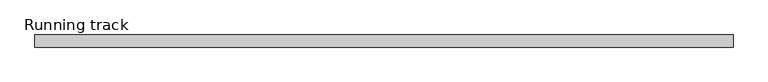
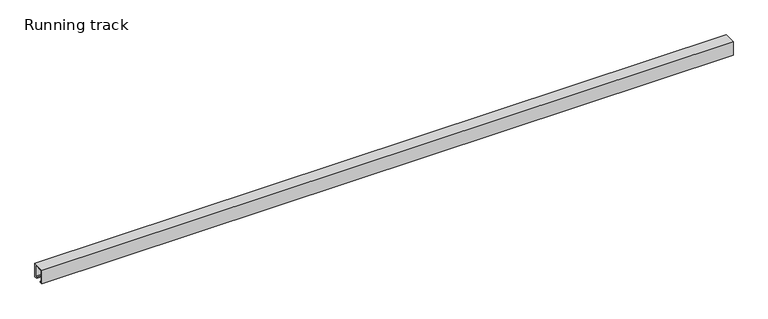
"""IFC4 building model written with IfcOpenShell, lengths in millimetres: proxy geometry, Running track."""

from ifc_helpers import new_model, si_unit, point, frame, frame_2d, origin, origin_with_axes, place, context, project, spatial, polyline, circle_curve, trimmed, segment, composite_curve, outline, extrude, faceted_brep, source, transform, mapped, element, save


def running_track_9f90d680(model_context):
    return source(origin(), model_context, "Body", "SolidModel", [
        extrude(outline(composite_curve([segment(trimmed(circle_curve(frame_2d((0.0, 18.67839)), 6.3335878), [point((6.3335878, 18.67839))], [point((-6.3335878, 18.67839))], False, "CARTESIAN"), True, "CONTINUOUS"), segment(trimmed(circle_curve(frame_2d((0.0, 18.67839)), 6.3335878), [point((-6.3335878, 18.67839))], [point((6.3335878, 18.67839))], False, "CARTESIAN"), True, "CONTINUOUS")], self_intersect=False)), frame((1868.0, 0.0, 0.0), z_axis=(1.0, 0.0, 0.0), x_axis=(0.0, 1.0, 0.0)), (0.0, 0.0, 1.0), 4.0),
        faceted_brep([(1914.5, 14.5, 36.5), (1914.5, 14.5, 3.0), (1872.0, 14.5, 3.0), (1872.0, 14.5, 36.5), (1914.5, -14.5, 36.5), (1872.0, -14.5, 36.5), (1872.0, -14.5, 3.0), (1914.5, -14.5, 3.0), (1872.0, 12.5, 36.5), (1911.9235205, 12.5, 36.5), (1911.9235205, -12.531559, 36.5), (1872.0, -12.531559, 36.5), (1872.0, -12.531559, 25.3706125), (1872.0, 12.5, 25.3706125), (1911.9235205, 12.5, 25.3706125), (1911.9235205, -12.531559, 25.3706125)], [[[0, 1, 2, 3]], [[4, 5, 6, 7]], [[3, 8, 9, 10, 11, 5, 4, 0]], [[2, 6, 5, 11, 12, 13, 8, 3]], [[1, 7, 6, 2]], [[0, 4, 7, 1]], [[14, 9, 8, 13]], [[15, 12, 11, 10]], [[15, 10, 9, 14]], [[14, 13, 12, 15]]]),
        extrude(outline(polyline([(1914.5, 12.5), (1914.5, -12.531559), (1870.0024224, -12.531559), (1870.0024224, 12.5), (1914.5, 12.5)])), origin_with_axes(), (0.0, 0.0, 1.0), 3.0),
        extrude(outline(polyline([(36.5, 1857.1109747), (36.5, 1833.4983788), (33.2695661, 1833.4983788), (33.2695661, 1835.332539), (24.3170527, 1910.6793739), (32.9021554, 1910.6793739), (36.5, 1857.1109747)])), frame((0.0, -12.531559, 0.0), z_axis=(0.0, 1.0, 0.0), x_axis=(0.0, 0.0, 1.0)), (0.0, 0.0, 1.0), 25.031559),
        extrude(outline(polyline([(-17.0, 40.0), (17.0, 40.0), (17.0, 0.0), (9.0, 0.0), (9.0, 3.0), (14.0, 3.0), (14.0, 37.0), (-14.0, 37.0), (-14.0, 3.0), (-9.0, 3.0), (-9.0, 0.0), (-17.0, 0.0), (-17.0, 40.0)])), frame((0.0, 0.0, 0.0), z_axis=(1.0, 0.0, 0.0), x_axis=(0.0, 1.0, 0.0)), (0.0, 0.0, 1.0), 1950.0),
    ])


if __name__ == "__main__":
    model = new_model("IFC4")
    model_context = context("Model", 3, world=origin())
    ifc_project = project(units=[si_unit("LENGTHUNIT", "METRE", prefix="MILLI")], contexts=[model_context])
    site = spatial("IfcSite", under=ifc_project)
    building = spatial("IfcBuilding", under=site)
    placement = place(None, origin())
    running_track_shape = running_track_9f90d680(model_context)
    element("IfcBuildingElementProxy", 1, Name="Running track", ObjectType="Running track", at=placement, inside=building, context=model_context, shape_type="MappedRepresentation", body=[
        mapped(running_track_shape, transform((0.0, 0.0, 0.0), x_axis=(1.0, 0.0, 0.0), y_axis=(0.0, 1.0, 0.0), z_axis=(0.0, 0.0, 1.0))),
    ])
    save(model, "model.ifc")
